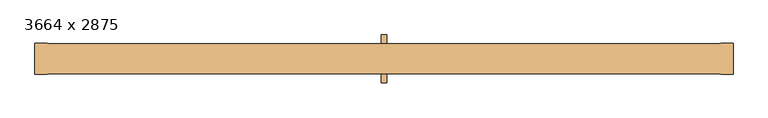
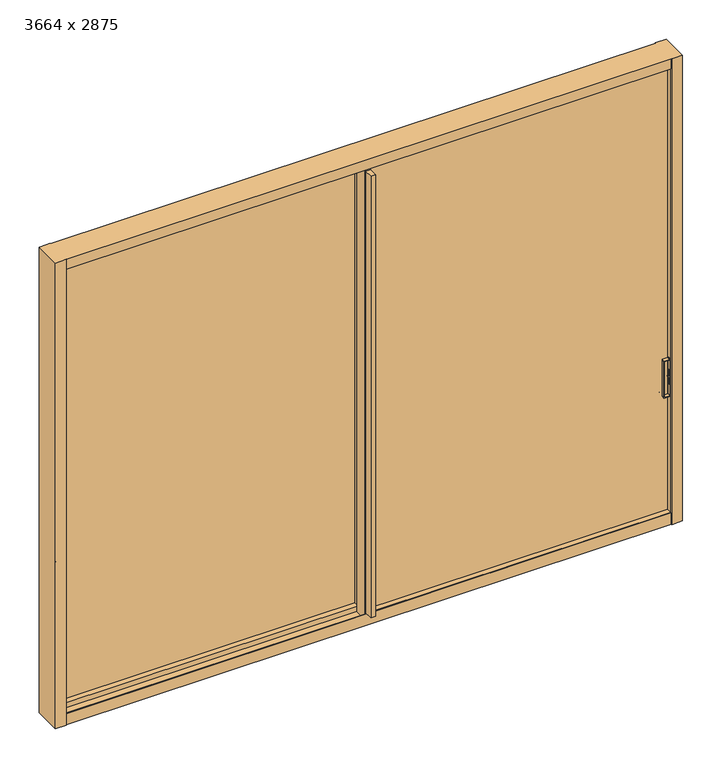
"""IFC4 building model written with IfcOpenShell, lengths in millimetres: door geometry, 3664 x 2875."""

from ifc_helpers import new_model, si_unit, point, frame, frame_2d, origin, place, context, project, spatial, polyline, circle_curve, trimmed, segment, composite_curve, outline, extrude, faceted_brep, source, transform, mapped, element, save
from ifc_brep_helpers import plane_surface, cylinder_surface, revolved_surface, advanced_brep


def door_3664_x_2875_118cb5cf(model_context):
    return source(origin(), model_context, "Body", "SolidModel", [
        extrude(outline(composite_curve([segment(trimmed(circle_curve(frame_2d((942.5, 1759.2)), 2.5), [point((945.0, 1759.2))], [point((942.5, 1756.7))], False, "CARTESIAN"), True, "CONTINUOUS"), segment(polyline([(942.5, 1756.7), (717.5, 1756.7)]), True, "CONTINUOUS"), segment(trimmed(circle_curve(frame_2d((717.5, 1759.2)), 2.5), [point((717.5, 1756.7))], [point((715.0, 1759.2))], False, "CARTESIAN"), True, "CONTINUOUS"), segment(polyline([(715.0, 1759.2), (715.0, 1794.2)]), True, "CONTINUOUS"), segment(trimmed(circle_curve(frame_2d((717.5, 1794.2)), 2.5), [point((715.0, 1794.2))], [point((717.5, 1796.7))], False, "CARTESIAN"), True, "CONTINUOUS"), segment(polyline([(717.5, 1796.7), (942.5424043, 1796.7)]), True, "CONTINUOUS"), segment(trimmed(circle_curve(frame_2d((942.5424043, 1794.2424043)), 2.4575957), [point((942.5424043, 1796.7))], [point((945.0, 1794.2424043))], False, "CARTESIAN"), True, "CONTINUOUS"), segment(polyline([(945.0, 1794.2424043), (945.0, 1759.2)]), True, "CONTINUOUS")], self_intersect=False), holes=[composite_curve([segment(polyline([(940.0, 1762.7), (940.0, 1790.7)]), True, "CONTINUOUS"), segment(trimmed(circle_curve(frame_2d((939.0, 1790.7)), 1.0), [point((940.0, 1790.7))], [point((939.0, 1791.7))], True, "CARTESIAN"), True, "CONTINUOUS"), segment(polyline([(939.0, 1791.7), (721.0, 1791.7)]), True, "CONTINUOUS"), segment(trimmed(circle_curve(frame_2d((721.0, 1790.7)), 1.0), [point((721.0, 1791.7))], [point((720.0, 1790.7))], True, "CARTESIAN"), True, "CONTINUOUS"), segment(polyline([(720.0, 1790.7), (720.0, 1762.7)]), True, "CONTINUOUS"), segment(trimmed(circle_curve(frame_2d((721.0, 1762.7)), 1.0), [point((720.0, 1762.7))], [point((721.0, 1761.7))], True, "CARTESIAN"), True, "CONTINUOUS"), segment(polyline([(721.0, 1761.7), (939.0, 1761.7)]), True, "CONTINUOUS"), segment(trimmed(circle_curve(frame_2d((939.0, 1762.7)), 1.0), [point((939.0, 1761.7))], [point((940.0, 1762.7))], True, "CARTESIAN"), True, "CONTINUOUS")], self_intersect=False)]), frame((0.0, -61.7000063, 0.0), z_axis=(0.0, 1.0, 0.0), x_axis=(0.0, 0.0, 1.0)), (0.0, 0.0, 1.0), 10.0),
        extrude(outline(composite_curve([segment(trimmed(circle_curve(frame_2d((848.8270581, 1789.6944959)), 10.0), [point((839.0082518, 1791.5895005))], [point((839.6206416, 1785.7904087))], True, "CARTESIAN"), True, "CONTINUOUS"), segment(trimmed(circle_curve(frame_2d((838.7, 1785.4)), 1.0), [point((839.6206416, 1785.7904087))], [point((838.7, 1784.4))], False, "CARTESIAN"), True, "CONTINUOUS"), segment(polyline([(838.7, 1784.4), (833.7, 1784.4)]), True, "CONTINUOUS"), segment(trimmed(circle_curve(frame_2d((833.7, 1785.4)), 1.0), [point((833.7, 1784.4))], [point((832.7793584, 1785.7904087))], False, "CARTESIAN"), True, "CONTINUOUS"), segment(trimmed(circle_curve(frame_2d((823.5729419, 1789.6944959)), 10.0), [point((832.7793584, 1785.7904087))], [point((833.5729419, 1789.6944959))], True, "CARTESIAN"), True, "CONTINUOUS"), segment(trimmed(circle_curve(frame_2d((823.5729419, 1789.6944959)), 10.0), [point((833.5729419, 1789.6944959))], [point((833.3917482, 1791.5895005))], True, "CARTESIAN"), True, "CONTINUOUS"), segment(trimmed(circle_curve(frame_2d((832.4098676, 1791.4)), 1.0), [point((833.3917482, 1791.5895005))], [point((832.4098676, 1792.4))], True, "CARTESIAN"), True, "CONTINUOUS"), segment(polyline([(832.4098676, 1792.4), (801.15, 1792.4), (801.15, 1797.4), (871.25, 1797.4), (871.25, 1792.4), (839.9901324, 1792.4)]), True, "CONTINUOUS"), segment(trimmed(circle_curve(frame_2d((839.9901324, 1791.4)), 1.0), [point((839.9901324, 1792.4))], [point((839.0082518, 1791.5895005))], True, "CARTESIAN"), True, "CONTINUOUS")], self_intersect=False)), frame((0.0, -112.15, 0.0), z_axis=(0.0, 1.0, 0.0), x_axis=(0.0, 0.0, 1.0)), (0.0, 0.0, 1.0), 12.55),
        advanced_brep(
        [(1759.2, -115.35, 945.0), (1756.7, -115.35, 942.5), (1756.7, -115.35, 717.5), (1759.2, -115.35, 715.0), (1794.2, -115.35, 715.0), (1796.7, -115.35, 717.5), (1796.7, -115.35, 942.5424043), (1794.2424043, -115.35, 945.0), (1762.7, -115.35, 940.0), (1790.7, -115.35, 940.0), (1791.7, -115.35, 939.0), (1791.7, -115.35, 721.0), (1790.7, -115.35, 720.0), (1762.7, -115.35, 720.0), (1761.7, -115.35, 721.0), (1761.7, -115.35, 939.0), (1759.2, -96.35, 945.0), (1794.2424043, -96.35, 945.0), (1796.7, -96.35, 942.5424043), (1796.7, -96.35, 717.5), (1794.2, -96.35, 715.0), (1759.2, -96.35, 715.0), (1756.7, -96.35, 717.5), (1756.7, -96.35, 942.5), (1762.7, -96.35, 940.0), (1761.7, -96.35, 939.0), (1761.7, -96.35, 721.0), (1762.7, -96.35, 720.0), (1790.7, -96.35, 720.0), (1791.7, -96.35, 721.0), (1791.7, -96.35, 939.0), (1790.7, -96.35, 940.0), (1796.7, -113.1, 787.3220606), (1796.7, -113.1, 871.6220606), (1796.7, -112.1, 872.6220606), (1796.7, -99.6, 872.6220606), (1796.7, -98.6, 871.6220606), (1796.7, -98.6, 787.3220606), (1796.7, -99.6, 786.3220606), (1796.7, -112.1, 786.3220606), (1791.7, -112.1, 786.3220606), (1791.7, -99.6, 786.3220606), (1791.7, -98.6, 787.3220606), (1791.7, -98.6, 871.6220606), (1791.7, -99.6, 872.6220606), (1791.7, -112.1, 872.6220606), (1791.7, -113.1, 871.6220606), (1791.7, -113.1, 787.3220606)],
        [
            (0, 1, circle_curve(frame((1759.2, -115.35, 942.5), z_axis=(0.0, -1.0, 0.0), x_axis=(-1.0, 0.0, 0.0)), 2.5)),
            (1, 2),
            (2, 3, circle_curve(frame((1759.2, -115.35, 717.5), z_axis=(0.0, -1.0, 0.0), x_axis=(-1.0, 0.0, 0.0)), 2.5)),
            (3, 4),
            (4, 5, circle_curve(frame((1794.2, -115.35, 717.5), z_axis=(0.0, -1.0, 0.0), x_axis=(-1.0, 0.0, 0.0)), 2.5)),
            (5, 6),
            (6, 7, circle_curve(frame((1794.2424043, -115.35, 942.5424043), z_axis=(0.0, -1.0, 0.0), x_axis=(-1.0, 0.0, 0.0)), 2.4575957)),
            (7, 0),
            (8, 9),
            (9, 10, circle_curve(frame((1790.7, -115.35, 939.0), z_axis=(0.0, 1.0, 0.0), x_axis=(-1.0, 0.0, 0.0)), 1.0)),
            (10, 11),
            (11, 12, circle_curve(frame((1790.7, -115.35, 721.0), z_axis=(0.0, 1.0, 0.0), x_axis=(-1.0, 0.0, 0.0)), 1.0)),
            (12, 13),
            (13, 14, circle_curve(frame((1762.7, -115.35, 721.0), z_axis=(0.0, 1.0, 0.0), x_axis=(-1.0, 0.0, 0.0)), 1.0)),
            (14, 15),
            (15, 8, circle_curve(frame((1762.7, -115.35, 939.0), z_axis=(0.0, 1.0, 0.0), x_axis=(-1.0, 0.0, 0.0)), 1.0)),
            (16, 17),
            (17, 18, circle_curve(frame((1794.2424043, -96.35, 942.5424043), z_axis=(0.0, 1.0, 0.0), x_axis=(-1.0, 0.0, 0.0)), 2.4575957)),
            (18, 19),
            (19, 20, circle_curve(frame((1794.2, -96.35, 717.5), z_axis=(0.0, 1.0, 0.0), x_axis=(-1.0, 0.0, 0.0)), 2.5)),
            (20, 21),
            (21, 22, circle_curve(frame((1759.2, -96.35, 717.5), z_axis=(0.0, 1.0, 0.0), x_axis=(-1.0, 0.0, 0.0)), 2.5)),
            (22, 23),
            (23, 16, circle_curve(frame((1759.2, -96.35, 942.5), z_axis=(0.0, 1.0, 0.0), x_axis=(-1.0, 0.0, 0.0)), 2.5)),
            (24, 25, circle_curve(frame((1762.7, -96.35, 939.0), z_axis=(0.0, -1.0, 0.0), x_axis=(-1.0, 0.0, 0.0)), 1.0)),
            (25, 26),
            (26, 27, circle_curve(frame((1762.7, -96.35, 721.0), z_axis=(0.0, -1.0, 0.0), x_axis=(-1.0, 0.0, 0.0)), 1.0)),
            (27, 28),
            (28, 29, circle_curve(frame((1790.7, -96.35, 721.0), z_axis=(0.0, -1.0, 0.0), x_axis=(-1.0, 0.0, 0.0)), 1.0)),
            (29, 30),
            (30, 31, circle_curve(frame((1790.7, -96.35, 939.0), z_axis=(0.0, -1.0, 0.0), x_axis=(-1.0, 0.0, 0.0)), 1.0)),
            (31, 24),
            (7, 17),
            (16, 0),
            (6, 18),
            (5, 19),
            (32, 33),
            (33, 34, circle_curve(frame((1796.7, -112.1, 871.6220606), z_axis=(-1.0, 0.0, 0.0), x_axis=(0.0, 0.0, -1.0)), 1.0)),
            (34, 35),
            (35, 36, circle_curve(frame((1796.7, -99.6, 871.6220606), z_axis=(-1.0, 0.0, 0.0), x_axis=(0.0, 0.0, -1.0)), 1.0)),
            (36, 37),
            (37, 38, circle_curve(frame((1796.7, -99.6, 787.3220606), z_axis=(-1.0, 0.0, 0.0), x_axis=(0.0, 0.0, -1.0)), 1.0)),
            (38, 39),
            (39, 32, circle_curve(frame((1796.7, -112.1, 787.3220606), z_axis=(-1.0, 0.0, 0.0), x_axis=(0.0, 0.0, -1.0)), 1.0)),
            (4, 20),
            (3, 21),
            (2, 22),
            (1, 23),
            (15, 25),
            (24, 8),
            (14, 26),
            (13, 27),
            (12, 28),
            (11, 29),
            (10, 30),
            (40, 41),
            (41, 42, circle_curve(frame((1791.7, -99.6, 787.3220606), z_axis=(1.0, 0.0, 0.0), x_axis=(0.0, 0.0, -1.0)), 1.0)),
            (42, 43),
            (43, 44, circle_curve(frame((1791.7, -99.6, 871.6220606), z_axis=(1.0, 0.0, 0.0), x_axis=(0.0, 0.0, -1.0)), 1.0)),
            (44, 45),
            (45, 46, circle_curve(frame((1791.7, -112.1, 871.6220606), z_axis=(1.0, 0.0, 0.0), x_axis=(0.0, 0.0, -1.0)), 1.0)),
            (46, 47),
            (47, 40, circle_curve(frame((1791.7, -112.1, 787.3220606), z_axis=(1.0, 0.0, 0.0), x_axis=(0.0, 0.0, -1.0)), 1.0)),
            (9, 31),
            (47, 32),
            (39, 40),
            (46, 33),
            (45, 34),
            (44, 35),
            (43, 36),
            (42, 37),
            (41, 38),
        ],
        [
            plane_surface(frame((1794.2, -115.35, 945.0), z_axis=(0.0, -1.0, 0.0), x_axis=(1.0, 0.0, 0.0))),
            plane_surface(frame((1794.2, -96.35, 945.0), z_axis=(0.0, 1.0, 0.0), x_axis=(-1.0, 0.0, 0.0))),
            plane_surface(frame((1759.2, -115.35, 945.0), z_axis=(0.0, 0.0, 1.0), x_axis=(0.0, 1.0, 0.0))),
            cylinder_surface(frame((1794.2424043, -96.35, 942.5424043), z_axis=(0.0, -1.0, 0.0), x_axis=(-1.0, 0.0, 0.0)), 2.4575957),
            plane_surface(frame((1796.7, -115.35, 942.5424043), z_axis=(1.0, 0.0, 0.0), x_axis=(0.0, 1.0, 0.0))),
            cylinder_surface(frame((1794.2, -96.35, 717.5), z_axis=(0.0, -1.0, 0.0), x_axis=(-1.0, 0.0, 0.0)), 2.5),
            plane_surface(frame((1794.2, -115.35, 715.0), z_axis=(0.0, 0.0, -1.0), x_axis=(0.0, 1.0, 0.0))),
            cylinder_surface(frame((1759.2, -96.35, 717.5), z_axis=(0.0, -1.0, 0.0), x_axis=(-1.0, 0.0, 0.0)), 2.5),
            plane_surface(frame((1756.7, -115.35, 717.5), z_axis=(-1.0, 0.0, 0.0), x_axis=(0.0, 1.0, 0.0))),
            cylinder_surface(frame((1759.2, -96.35, 942.5), z_axis=(0.0, -1.0, 0.0), x_axis=(-1.0, 0.0, 0.0)), 2.5),
            revolved_surface(polyline([(1761.7, -96.35, 939.0), (1761.7, -115.35, 939.0)]), (1762.7, -105.85, 939.0), (0.0, 1.0, 0.0)),
            plane_surface(frame((1761.7, -115.35, 939.0), z_axis=(1.0, 0.0, 0.0), x_axis=(0.0, 1.0, 0.0))),
            revolved_surface(polyline([(1761.7, -96.35, 721.0), (1761.7, -115.35, 721.0)]), (1762.7, -105.85, 721.0), (0.0, 1.0, 0.0)),
            plane_surface(frame((1762.7, -115.35, 720.0), z_axis=(0.0, 0.0, 1.0), x_axis=(0.0, 1.0, 0.0))),
            revolved_surface(polyline([(1789.7, -96.35, 721.0), (1789.7, -115.35, 721.0)]), (1790.7, -105.85, 721.0), (0.0, 1.0, 0.0)),
            plane_surface(frame((1791.7, -115.35, 721.0), z_axis=(-1.0, 0.0, 0.0), x_axis=(0.0, 1.0, 0.0))),
            revolved_surface(polyline([(1789.7, -96.35, 939.0), (1789.7, -115.35, 939.0)]), (1790.7, -105.85, 939.0), (0.0, 1.0, 0.0)),
            plane_surface(frame((1790.7, -115.35, 940.0), z_axis=(0.0, 0.0, -1.0), x_axis=(0.0, 1.0, 0.0))),
            revolved_surface(polyline([(1796.7, -112.1, 786.3220606), (1791.7, -112.1, 786.3220606)]), (1781.7, -112.1, 787.3220606), (1.0, 0.0, 0.0)),
            plane_surface(frame((1806.7, -113.1, 787.3220606), z_axis=(0.0, 1.0, 0.0), x_axis=(-1.0, 0.0, 0.0))),
            revolved_surface(polyline([(1796.7, -112.1, 870.6220606), (1791.7, -112.1, 870.6220606)]), (1781.7, -112.1, 871.6220606), (1.0, 0.0, 0.0)),
            plane_surface(frame((1806.7, -112.1, 872.6220606), z_axis=(0.0, 0.0, -1.0), x_axis=(-1.0, 0.0, 0.0))),
            revolved_surface(polyline([(1796.7, -99.6, 870.6220606), (1791.7, -99.6, 870.6220606)]), (1781.7, -99.6, 871.6220606), (1.0, 0.0, 0.0)),
            plane_surface(frame((1806.7, -98.6, 871.6220606), z_axis=(0.0, -1.0, 0.0), x_axis=(-1.0, 0.0, 0.0))),
            revolved_surface(polyline([(1796.7, -99.6, 786.3220606), (1791.7, -99.6, 786.3220606)]), (1781.7, -99.6, 787.3220606), (1.0, 0.0, 0.0)),
            plane_surface(frame((1806.7, -99.6, 786.3220606), z_axis=(0.0, 0.0, 1.0), x_axis=(-1.0, 0.0, 0.0))),
        ],
        [
            (0, [[1, 2, 3, 4, 5, 6, 7, 8], [9, 10, 11, 12, 13, 14, 15, 16]]),
            (1, [[17, 18, 19, 20, 21, 22, 23, 24], [25, 26, 27, 28, 29, 30, 31, 32]]),
            (2, [[33, -17, 34, -8]]),
            (3, [[35, -18, -33, -7]]),
            (4, [[36, -19, -35, -6], [37, 38, 39, 40, 41, 42, 43, 44]]),
            (5, [[45, -20, -36, -5]]),
            (6, [[46, -21, -45, -4]]),
            (7, [[47, -22, -46, -3]]),
            (8, [[48, -23, -47, -2]]),
            (9, [[-34, -24, -48, -1]]),
            (10, [[49, -25, 50, -16]]),
            (11, [[51, -26, -49, -15]]),
            (12, [[52, -27, -51, -14]]),
            (13, [[53, -28, -52, -13]]),
            (14, [[54, -29, -53, -12]]),
            (15, [[55, -30, -54, -11], [56, 57, 58, 59, 60, 61, 62, 63]]),
            (16, [[64, -31, -55, -10]]),
            (17, [[-50, -32, -64, -9]]),
            (18, [[-63, 65, -44, 66]]),
            (19, [[-62, 67, -37, -65]]),
            (20, [[-61, 68, -38, -67]]),
            (21, [[-60, 69, -39, -68]]),
            (22, [[-59, 70, -40, -69]]),
            (23, [[-58, 71, -41, -70]]),
            (24, [[-57, 72, -42, -71]]),
            (25, [[-43, -72, -56, -66]]),
        ],
    ),
        extrude(outline(composite_curve([segment(polyline([(945.0, -1706.8000303), (945.0, -1741.8424347)]), True, "CONTINUOUS"), segment(trimmed(circle_curve(frame_2d((942.5424043, -1741.8424347)), 2.4575957), [point((945.0, -1741.8424347))], [point((942.5424043, -1744.3000303))], False, "CARTESIAN"), True, "CONTINUOUS"), segment(polyline([(942.5424043, -1744.3000303), (717.5, -1744.3000303)]), True, "CONTINUOUS"), segment(trimmed(circle_curve(frame_2d((717.5, -1741.8000303)), 2.5), [point((717.5, -1744.3000303))], [point((715.0, -1741.8000303))], False, "CARTESIAN"), True, "CONTINUOUS"), segment(polyline([(715.0, -1741.8000303), (715.0, -1706.8000303)]), True, "CONTINUOUS"), segment(trimmed(circle_curve(frame_2d((717.5, -1706.8000303)), 2.5), [point((715.0, -1706.8000303))], [point((717.5, -1704.3000303))], False, "CARTESIAN"), True, "CONTINUOUS"), segment(polyline([(717.5, -1704.3000303), (942.5, -1704.3000303)]), True, "CONTINUOUS"), segment(trimmed(circle_curve(frame_2d((942.5, -1706.8000303)), 2.5), [point((942.5, -1704.3000303))], [point((945.0, -1706.8000303))], False, "CARTESIAN"), True, "CONTINUOUS")], self_intersect=False), holes=[composite_curve([segment(trimmed(circle_curve(frame_2d((939.0, -1710.3000303)), 1.0), [point((940.0, -1710.3000303))], [point((939.0, -1709.3000303))], True, "CARTESIAN"), True, "CONTINUOUS"), segment(polyline([(939.0, -1709.3000303), (721.0, -1709.3000303)]), True, "CONTINUOUS"), segment(trimmed(circle_curve(frame_2d((721.0, -1710.3000303)), 1.0), [point((721.0, -1709.3000303))], [point((720.0, -1710.3000303))], True, "CARTESIAN"), True, "CONTINUOUS"), segment(polyline([(720.0, -1710.3000303), (720.0, -1738.3000303)]), True, "CONTINUOUS"), segment(trimmed(circle_curve(frame_2d((721.0, -1738.3000303)), 1.0), [point((720.0, -1738.3000303))], [point((721.0, -1739.3000303))], True, "CARTESIAN"), True, "CONTINUOUS"), segment(polyline([(721.0, -1739.3000303), (939.0, -1739.3000303)]), True, "CONTINUOUS"), segment(trimmed(circle_curve(frame_2d((939.0, -1738.3000303)), 1.0), [point((939.0, -1739.3000303))], [point((940.0, -1738.3000303))], True, "CARTESIAN"), True, "CONTINUOUS"), segment(polyline([(940.0, -1738.3000303), (940.0, -1710.3000303)]), True, "CONTINUOUS")], self_intersect=False)]), frame((0.0, 16.075, 0.0), z_axis=(0.0, 1.0, 0.0), x_axis=(0.0, 0.0, 1.0)), (0.0, 0.0, 1.0), 10.0),
        extrude(outline(composite_curve([segment(trimmed(circle_curve(frame_2d((839.9901324, -1739.0000303)), 1.0), [point((839.0082518, -1739.1895308))], [point((839.9901324, -1740.0000303))], True, "CARTESIAN"), True, "CONTINUOUS"), segment(polyline([(839.9901324, -1740.0000303), (871.25, -1740.0000303), (871.25, -1745.0000303), (801.15, -1745.0000303), (801.15, -1740.0000303), (832.4098676, -1740.0000303)]), True, "CONTINUOUS"), segment(trimmed(circle_curve(frame_2d((832.4098676, -1739.0000303)), 1.0), [point((832.4098676, -1740.0000303))], [point((833.3917482, -1739.1895308))], True, "CARTESIAN"), True, "CONTINUOUS"), segment(trimmed(circle_curve(frame_2d((823.5729419, -1737.2945262)), 10.0), [point((833.3917482, -1739.1895308))], [point((833.5729419, -1737.2945262))], True, "CARTESIAN"), True, "CONTINUOUS"), segment(trimmed(circle_curve(frame_2d((823.5729419, -1737.2945262)), 10.0), [point((833.5729419, -1737.2945262))], [point((832.7793584, -1733.390439))], True, "CARTESIAN"), True, "CONTINUOUS"), segment(trimmed(circle_curve(frame_2d((833.7, -1733.0000303)), 1.0), [point((832.7793584, -1733.390439))], [point((833.7, -1732.0000303))], False, "CARTESIAN"), True, "CONTINUOUS"), segment(polyline([(833.7, -1732.0000303), (838.7, -1732.0000303)]), True, "CONTINUOUS"), segment(trimmed(circle_curve(frame_2d((838.7, -1733.0000303)), 1.0), [point((838.7, -1732.0000303))], [point((839.6206416, -1733.390439))], False, "CARTESIAN"), True, "CONTINUOUS"), segment(trimmed(circle_curve(frame_2d((848.8270581, -1737.2945262)), 10.0), [point((839.6206416, -1733.390439))], [point((839.0082518, -1739.1895308))], True, "CARTESIAN"), True, "CONTINUOUS")], self_intersect=False)), frame((0.0, -32.6, 0.0), z_axis=(0.0, 1.0, 0.0), x_axis=(0.0, 0.0, 1.0)), (0.0, 0.0, 1.0), 12.55),
        advanced_brep(
        [(-1706.8000303, -35.8, 945.0), (-1741.8424347, -35.8, 945.0), (-1744.3000303, -35.8, 942.5424043), (-1744.3000303, -35.8, 717.5), (-1741.8000303, -35.8, 715.0), (-1706.8000303, -35.8, 715.0), (-1704.3000303, -35.8, 717.5), (-1704.3000303, -35.8, 942.5), (-1710.3000303, -35.8, 940.0), (-1709.3000303, -35.8, 939.0), (-1709.3000303, -35.8, 721.0), (-1710.3000303, -35.8, 720.0), (-1738.3000303, -35.8, 720.0), (-1739.3000303, -35.8, 721.0), (-1739.3000303, -35.8, 939.0), (-1738.3000303, -35.8, 940.0), (-1706.8000303, -16.8, 945.0), (-1704.3000303, -16.8, 942.5), (-1704.3000303, -16.8, 717.5), (-1706.8000303, -16.8, 715.0), (-1741.8000303, -16.8, 715.0), (-1744.3000303, -16.8, 717.5), (-1744.3000303, -16.8, 942.5424043), (-1741.8424347, -16.8, 945.0), (-1710.3000303, -16.8, 940.0), (-1738.3000303, -16.8, 940.0), (-1739.3000303, -16.8, 939.0), (-1739.3000303, -16.8, 721.0), (-1738.3000303, -16.8, 720.0), (-1710.3000303, -16.8, 720.0), (-1709.3000303, -16.8, 721.0), (-1709.3000303, -16.8, 939.0), (-1744.3000303, -33.55, 787.3220606), (-1744.3000303, -32.55, 786.3220606), (-1744.3000303, -20.05, 786.3220606), (-1744.3000303, -19.05, 787.3220606), (-1744.3000303, -19.05, 871.6220606), (-1744.3000303, -20.05, 872.6220606), (-1744.3000303, -32.55, 872.6220606), (-1744.3000303, -33.55, 871.6220606), (-1739.3000303, -32.55, 786.3220606), (-1739.3000303, -33.55, 787.3220606), (-1739.3000303, -33.55, 871.6220606), (-1739.3000303, -32.55, 872.6220606), (-1739.3000303, -20.05, 872.6220606), (-1739.3000303, -19.05, 871.6220606), (-1739.3000303, -19.05, 787.3220606), (-1739.3000303, -20.05, 786.3220606)],
        [
            (0, 1),
            (1, 2, circle_curve(frame((-1741.8424347, -35.8, 942.5424043), z_axis=(0.0, -1.0, 0.0), x_axis=(1.0, 0.0, 0.0)), 2.4575957)),
            (2, 3),
            (3, 4, circle_curve(frame((-1741.8000303, -35.8, 717.5), z_axis=(0.0, -1.0, 0.0), x_axis=(1.0, 0.0, 0.0)), 2.5)),
            (4, 5),
            (5, 6, circle_curve(frame((-1706.8000303, -35.8, 717.5), z_axis=(0.0, -1.0, 0.0), x_axis=(1.0, 0.0, 0.0)), 2.5)),
            (6, 7),
            (7, 0, circle_curve(frame((-1706.8000303, -35.8, 942.5), z_axis=(0.0, -1.0, 0.0), x_axis=(1.0, 0.0, 0.0)), 2.5)),
            (8, 9, circle_curve(frame((-1710.3000303, -35.8, 939.0), z_axis=(0.0, 1.0, 0.0), x_axis=(1.0, 0.0, 0.0)), 1.0)),
            (9, 10),
            (10, 11, circle_curve(frame((-1710.3000303, -35.8, 721.0), z_axis=(0.0, 1.0, 0.0), x_axis=(1.0, 0.0, 0.0)), 1.0)),
            (11, 12),
            (12, 13, circle_curve(frame((-1738.3000303, -35.8, 721.0), z_axis=(0.0, 1.0, 0.0), x_axis=(1.0, 0.0, 0.0)), 1.0)),
            (13, 14),
            (14, 15, circle_curve(frame((-1738.3000303, -35.8, 939.0), z_axis=(0.0, 1.0, 0.0), x_axis=(1.0, 0.0, 0.0)), 1.0)),
            (15, 8),
            (16, 17, circle_curve(frame((-1706.8000303, -16.8, 942.5), z_axis=(0.0, 1.0, 0.0), x_axis=(1.0, 0.0, 0.0)), 2.5)),
            (17, 18),
            (18, 19, circle_curve(frame((-1706.8000303, -16.8, 717.5), z_axis=(0.0, 1.0, 0.0), x_axis=(1.0, 0.0, 0.0)), 2.5)),
            (19, 20),
            (20, 21, circle_curve(frame((-1741.8000303, -16.8, 717.5), z_axis=(0.0, 1.0, 0.0), x_axis=(1.0, 0.0, 0.0)), 2.5)),
            (21, 22),
            (22, 23, circle_curve(frame((-1741.8424347, -16.8, 942.5424043), z_axis=(0.0, 1.0, 0.0), x_axis=(1.0, 0.0, 0.0)), 2.4575957)),
            (23, 16),
            (24, 25),
            (25, 26, circle_curve(frame((-1738.3000303, -16.8, 939.0), z_axis=(0.0, -1.0, 0.0), x_axis=(1.0, 0.0, 0.0)), 1.0)),
            (26, 27),
            (27, 28, circle_curve(frame((-1738.3000303, -16.8, 721.0), z_axis=(0.0, -1.0, 0.0), x_axis=(1.0, 0.0, 0.0)), 1.0)),
            (28, 29),
            (29, 30, circle_curve(frame((-1710.3000303, -16.8, 721.0), z_axis=(0.0, -1.0, 0.0), x_axis=(1.0, 0.0, 0.0)), 1.0)),
            (30, 31),
            (31, 24, circle_curve(frame((-1710.3000303, -16.8, 939.0), z_axis=(0.0, -1.0, 0.0), x_axis=(1.0, 0.0, 0.0)), 1.0)),
            (0, 16),
            (23, 1),
            (22, 2),
            (21, 3),
            (32, 33, circle_curve(frame((-1744.3000303, -32.55, 787.3220606), z_axis=(1.0, 0.0, 0.0), x_axis=(0.0, 0.0, -1.0)), 1.0)),
            (33, 34),
            (34, 35, circle_curve(frame((-1744.3000303, -20.05, 787.3220606), z_axis=(1.0, 0.0, 0.0), x_axis=(0.0, 0.0, -1.0)), 1.0)),
            (35, 36),
            (36, 37, circle_curve(frame((-1744.3000303, -20.05, 871.6220606), z_axis=(1.0, 0.0, 0.0), x_axis=(0.0, 0.0, -1.0)), 1.0)),
            (37, 38),
            (38, 39, circle_curve(frame((-1744.3000303, -32.55, 871.6220606), z_axis=(1.0, 0.0, 0.0), x_axis=(0.0, 0.0, -1.0)), 1.0)),
            (39, 32),
            (20, 4),
            (19, 5),
            (18, 6),
            (17, 7),
            (8, 24),
            (31, 9),
            (30, 10),
            (29, 11),
            (28, 12),
            (27, 13),
            (26, 14),
            (40, 41, circle_curve(frame((-1739.3000303, -32.55, 787.3220606), z_axis=(-1.0, 0.0, 0.0), x_axis=(0.0, 0.0, -1.0)), 1.0)),
            (41, 42),
            (42, 43, circle_curve(frame((-1739.3000303, -32.55, 871.6220606), z_axis=(-1.0, 0.0, 0.0), x_axis=(0.0, 0.0, -1.0)), 1.0)),
            (43, 44),
            (44, 45, circle_curve(frame((-1739.3000303, -20.05, 871.6220606), z_axis=(-1.0, 0.0, 0.0), x_axis=(0.0, 0.0, -1.0)), 1.0)),
            (45, 46),
            (46, 47, circle_curve(frame((-1739.3000303, -20.05, 787.3220606), z_axis=(-1.0, 0.0, 0.0), x_axis=(0.0, 0.0, -1.0)), 1.0)),
            (47, 40),
            (25, 15),
            (40, 33),
            (32, 41),
            (39, 42),
            (38, 43),
            (37, 44),
            (36, 45),
            (35, 46),
            (34, 47),
        ],
        [
            plane_surface(frame((-1741.8000303, -35.8, 945.0), z_axis=(0.0, -1.0, 0.0), x_axis=(-1.0, 0.0, 0.0))),
            plane_surface(frame((-1741.8000303, -16.8, 945.0), z_axis=(0.0, 1.0, 0.0), x_axis=(1.0, 0.0, 0.0))),
            plane_surface(frame((-1706.8000303, -35.8, 945.0), z_axis=(0.0, 0.0, 1.0), x_axis=(0.0, 1.0, 0.0))),
            cylinder_surface(frame((-1741.8424347, -16.8, 942.5424043), z_axis=(0.0, -1.0, 0.0), x_axis=(1.0, 0.0, 0.0)), 2.4575957),
            plane_surface(frame((-1744.3000303, -35.8, 942.5424043), z_axis=(-1.0, 0.0, 0.0), x_axis=(0.0, 1.0, 0.0))),
            cylinder_surface(frame((-1741.8000303, -16.8, 717.5), z_axis=(0.0, -1.0, 0.0), x_axis=(1.0, 0.0, 0.0)), 2.5),
            plane_surface(frame((-1741.8000303, -35.8, 715.0), z_axis=(0.0, 0.0, -1.0), x_axis=(0.0, 1.0, 0.0))),
            cylinder_surface(frame((-1706.8000303, -16.8, 717.5), z_axis=(0.0, -1.0, 0.0), x_axis=(1.0, 0.0, 0.0)), 2.5),
            plane_surface(frame((-1704.3000303, -35.8, 717.5), z_axis=(1.0, 0.0, 0.0), x_axis=(0.0, 1.0, 0.0))),
            cylinder_surface(frame((-1706.8000303, -16.8, 942.5), z_axis=(0.0, -1.0, 0.0), x_axis=(1.0, 0.0, 0.0)), 2.5),
            revolved_surface(polyline([(-1709.3000303, -16.8, 939.0), (-1709.3000303, -35.8, 939.0)]), (-1710.3000303, -26.3, 939.0), (0.0, 1.0, 0.0)),
            plane_surface(frame((-1709.3000303, -35.8, 939.0), z_axis=(-1.0, 0.0, 0.0), x_axis=(0.0, 1.0, 0.0))),
            revolved_surface(polyline([(-1709.3000303, -16.8, 721.0), (-1709.3000303, -35.8, 721.0)]), (-1710.3000303, -26.3, 721.0), (0.0, 1.0, 0.0)),
            plane_surface(frame((-1710.3000303, -35.8, 720.0), z_axis=(0.0, 0.0, 1.0), x_axis=(0.0, 1.0, 0.0))),
            revolved_surface(polyline([(-1737.3000303, -16.8, 721.0), (-1737.3000303, -35.8, 721.0)]), (-1738.3000303, -26.3, 721.0), (0.0, 1.0, 0.0)),
            plane_surface(frame((-1739.3000303, -35.8, 721.0), z_axis=(1.0, 0.0, 0.0), x_axis=(0.0, 1.0, 0.0))),
            revolved_surface(polyline([(-1737.3000303, -16.8, 939.0), (-1737.3000303, -35.8, 939.0)]), (-1738.3000303, -26.3, 939.0), (0.0, 1.0, 0.0)),
            plane_surface(frame((-1738.3000303, -35.8, 940.0), z_axis=(0.0, 0.0, -1.0), x_axis=(0.0, 1.0, 0.0))),
            revolved_surface(polyline([(-1744.3000303, -32.55, 786.3220606), (-1739.3000303, -32.55, 786.3220606)]), (-1729.3000303, -32.55, 787.3220606), (-1.0, 0.0, 0.0)),
            plane_surface(frame((-1754.3000303, -33.55, 787.3220606), z_axis=(0.0, 1.0, 0.0), x_axis=(1.0, 0.0, 0.0))),
            revolved_surface(polyline([(-1744.3000303, -32.55, 870.6220606), (-1739.3000303, -32.55, 870.6220606)]), (-1729.3000303, -32.55, 871.6220606), (-1.0, 0.0, 0.0)),
            plane_surface(frame((-1754.3000303, -32.55, 872.6220606), z_axis=(0.0, 0.0, -1.0), x_axis=(1.0, 0.0, 0.0))),
            revolved_surface(polyline([(-1744.3000303, -20.05, 870.6220606), (-1739.3000303, -20.05, 870.6220606)]), (-1729.3000303, -20.05, 871.6220606), (-1.0, 0.0, 0.0)),
            plane_surface(frame((-1754.3000303, -19.05, 871.6220606), z_axis=(0.0, -1.0, 0.0), x_axis=(1.0, 0.0, 0.0))),
            revolved_surface(polyline([(-1744.3000303, -20.05, 786.3220606), (-1739.3000303, -20.05, 786.3220606)]), (-1729.3000303, -20.05, 787.3220606), (-1.0, 0.0, 0.0)),
            plane_surface(frame((-1754.3000303, -20.05, 786.3220606), z_axis=(0.0, 0.0, 1.0), x_axis=(1.0, 0.0, 0.0))),
        ],
        [
            (0, [[1, 2, 3, 4, 5, 6, 7, 8], [9, 10, 11, 12, 13, 14, 15, 16]]),
            (1, [[17, 18, 19, 20, 21, 22, 23, 24], [25, 26, 27, 28, 29, 30, 31, 32]]),
            (2, [[-1, 33, -24, 34]]),
            (3, [[-2, -34, -23, 35]]),
            (4, [[-3, -35, -22, 36], [37, 38, 39, 40, 41, 42, 43, 44]]),
            (5, [[-4, -36, -21, 45]]),
            (6, [[-5, -45, -20, 46]]),
            (7, [[-6, -46, -19, 47]]),
            (8, [[-7, -47, -18, 48]]),
            (9, [[-8, -48, -17, -33]]),
            (10, [[-9, 49, -32, 50]]),
            (11, [[-10, -50, -31, 51]]),
            (12, [[-11, -51, -30, 52]]),
            (13, [[-12, -52, -29, 53]]),
            (14, [[-13, -53, -28, 54]]),
            (15, [[-14, -54, -27, 55], [56, 57, 58, 59, 60, 61, 62, 63]]),
            (16, [[-15, -55, -26, 64]]),
            (17, [[-16, -64, -25, -49]]),
            (18, [[65, -37, 66, -56]]),
            (19, [[-66, -44, 67, -57]]),
            (20, [[-67, -43, 68, -58]]),
            (21, [[-68, -42, 69, -59]]),
            (22, [[-69, -41, 70, -60]]),
            (23, [[-70, -40, 71, -61]]),
            (24, [[-71, -39, 72, -62]]),
            (25, [[-65, -63, -72, -38]]),
        ],
    ),
        faceted_brep([(-1742.3, 36.95, 2805.0), (-1805.8, 36.95, 2805.0), (-1805.8, -126.25, 2805.0), (-1742.3, -126.25, 2805.0), (-1742.3, -123.6801444, 2805.0), (1794.7, -123.6801444, 2805.0), (1794.7, -126.25, 2805.0), (1858.2, -126.25, 2805.0), (1858.2, 36.95, 2805.0), (1794.7, 36.95, 2805.0), (1794.7, 34.6166667, 2805.0), (-1742.3, 34.6166667, 2805.0), (-1742.3, -126.25, -70.0), (-1805.8, -126.25, -70.0), (-1805.8, 36.95, -70.0), (-1742.3, 36.95, -70.0), (-1742.3, 34.6166667, -70.0), (1794.7, 34.6166667, -70.0), (1794.7, 36.95, -70.0), (1858.2, 36.95, -70.0), (1858.2, -126.25, -70.0), (1794.7, -126.25, -70.0), (1794.7, -123.6801444, -70.0), (-1742.3, -123.6801444, -70.0), (-1742.3, 34.6166667, 2741.5000002), (-1742.3, 30.3507824, 2741.5000002), (-1742.3, 30.3507824, -41.065624), (-1742.3, 34.6166667, -41.0954059), (-1742.3, -123.6801444, -0.0019976), (-1742.3, -119.65, -0.0019976), (-1742.3, -119.65, -40.0184039), (-1742.3, -83.4499676, -40.2711319), (-1742.3, -83.4499676, -55.2019976), (-1742.3, -70.4499676, -55.2019976), (-1742.3, -70.4499676, -40.3618905), (-1742.3, -41.5499988, -40.5636536), (-1742.3, -41.5499988, 2741.1000002), (-1742.3, -47.7499996, 2741.1000002), (-1742.3, -47.7499996, 2785.5000002), (-1742.3, -66.7229624, 2785.5000002), (-1742.3, -66.7229624, 2790.2019976), (-1742.3, -86.9499884, 2790.2019976), (-1742.3, -86.9499884, 2785.5000002), (-1742.3, -121.8999885, 2785.5000002), (-1742.3, -121.8999885, 2754.5000002), (-1742.3, -119.65, 2754.5000002), (-1742.3, -119.65, 2741.5000002), (-1742.3, -123.6801444, 2741.5000002), (-1753.6999697, -41.5499988, -40.5636536), (-1753.6999697, -41.5499988, 2741.1000002), (-1781.0, -41.5499988, 2741.1000002), (-1781.0, -41.5499988, 2785.5000002), (1794.7, -41.5499988, 2785.5000002), (1794.7, -41.5499988, 2741.1000002), (-1753.6999697, -43.6499988, -40.5489926), (-1753.6999697, -43.6499988, 2741.1000002), (-1781.0, -43.6499988, -40.5489926), (-1781.0, -43.6499988, 2741.1000002), (-1781.0, -5.3499676, -40.8163816), (-1781.0, -5.3499676, -55.2019976), (-1781.0, 7.6500324, -55.2019976), (-1781.0, 7.6500324, -40.9071402), (-1781.0, 32.4507824, -41.080285), (-1781.0, 32.4507824, 2741.5000002), (-1781.0, 30.3507824, 2741.5000002), (-1781.0, 30.3507824, 2785.5000002), (-1781.0, 11.7000112, 2785.5000002), (-1781.0, 11.7000112, 2790.2019976), (-1781.0, -9.1999887, 2790.2019976), (-1781.0, -9.1999887, 2785.5000002), (-1753.6999697, 32.4507824, -41.080285), (-1753.6999697, 32.4507824, 2741.5000002), (-1753.6999697, 30.3507824, -41.065624), (-1753.6999697, 30.3507824, 2741.5000002), (1794.7, 30.3507824, 2741.5000002), (1794.7, 30.3507824, 2785.5000002), (1794.7, 34.6166667, -41.0954059), (1794.7, 7.6500324, -40.9071402), (1794.7, 7.6500324, -55.2019976), (1794.7, -5.3499676, -55.2019976), (1794.7, -5.3499676, -40.8163816), (1794.7, -47.7499996, -40.5203688), (1794.7, -47.7499996, 2741.1000002), (1794.7, -9.1999887, 2785.5000002), (1794.7, -9.1999887, 2790.2019976), (1794.7, 11.7000112, 2790.2019976), (1794.7, 11.7000112, 2785.5000002), (1794.7, 34.6166667, 2741.5000002), (1805.9, -47.7499996, -40.5203688), (1805.9, -47.7499996, 2741.1000002), (1833.5, -47.7499996, 2741.1000002), (1833.5, -47.7499996, 2785.5000002), (1805.9, -45.6499996, -40.5350298), (1805.9, -45.6499996, 2741.1000002), (1833.5, -45.6499996, -40.5350298), (1833.5, -45.6499996, 2741.1000002), (1833.5, -70.4499676, -40.3618905), (1833.5, -70.4499676, -55.2019976), (1833.5, -83.4499676, -55.2019976), (1833.5, -83.4499676, -40.2711319), (1833.5, -119.65, -40.0184039), (1833.5, -119.65, -0.0019976), (1833.5, -123.6801444, -0.0019976), (1833.5, -123.6801444, 2741.5000002), (1833.5, -119.65, 2741.5000002), (1833.5, -119.65, 2754.5000002), (1833.5, -121.8999885, 2754.5000002), (1833.5, -121.8999885, 2785.5000002), (1833.5, -86.9499884, 2785.5000002), (1833.5, -86.9499884, 2790.2019976), (1833.5, -66.7229624, 2790.2019976), (1833.5, -66.7229624, 2785.5000002), (1806.1, -123.6801444, -0.0019976), (1806.1, -123.6801444, 2741.5000002), (1806.1, -119.65, -0.0019976), (1806.1, -119.65, 2741.5000002), (1806.1, -119.65, 2754.5000002), (1806.1, -119.65, 2785.5000002), (1806.1, -121.8999885, 2785.5000002), (1806.1, -121.8999885, 2754.5000002), (1794.7, -119.65, -0.0019976), (1794.7, -119.65, 2741.5000002), (1794.7, -119.65, 2754.5000002), (1794.7, -119.65, 2785.5000002), (1794.7, -121.8999885, 2754.5000002), (1794.7, -121.8999885, 2785.5000002), (1794.7, -123.6801444, 2741.5000002), (1794.7, -123.6801444, -0.0019976)], [[[0, 1, 2, 3, 4, 5, 6, 7, 8, 9, 10, 11]], [[12, 13, 14, 15, 16, 17, 18, 19, 20, 21, 22, 23]], [[1, 0, 15, 14]], [[2, 1, 14, 13]], [[3, 2, 13, 12]], [[15, 0, 11, 24, 25, 26, 27, 16]], [[3, 12, 23, 28, 29, 30, 31, 32, 33, 34, 35, 36, 37, 38, 39, 40, 41, 42, 43, 44, 45, 46, 47, 4]], [[36, 35, 48, 49, 50, 51, 52, 53]], [[49, 48, 54, 55]], [[55, 54, 56, 57]], [[57, 56, 58, 59, 60, 61, 62, 63, 64, 65, 66, 67, 68, 69, 51, 50]], [[63, 62, 70, 71]], [[71, 70, 72, 73]], [[26, 25, 74, 75, 65, 64, 73, 72]], [[9, 8, 19, 18]], [[9, 18, 17, 76, 77, 78, 79, 80, 81, 82, 53, 52, 83, 84, 85, 86, 75, 74, 87, 10]], [[82, 81, 88, 89, 90, 91, 38, 37]], [[89, 88, 92, 93]], [[93, 92, 94, 95]], [[95, 94, 96, 97, 98, 99, 100, 101, 102, 103, 104, 105, 106, 107, 108, 109, 110, 111, 91, 90]], [[103, 102, 112, 113]], [[113, 112, 114, 115]], [[116, 117, 118, 119]], [[115, 114, 101, 100, 30, 29, 120, 121, 46, 45, 122, 123, 117, 116, 105, 104]], [[123, 122, 124, 125]], [[21, 6, 5, 126, 121, 120, 127, 22]], [[7, 6, 21, 20]], [[20, 19, 8, 7]], [[76, 27, 26, 72, 70, 62, 61, 77]], [[77, 61, 60, 78]], [[78, 60, 59, 79]], [[79, 59, 58, 80]], [[80, 58, 56, 54, 48, 35, 34, 96, 94, 92, 88, 81]], [[96, 34, 33, 97]], [[97, 33, 32, 98]], [[98, 32, 31, 99]], [[99, 31, 30, 100]], [[101, 114, 112, 102]], [[120, 29, 28, 127]], [[23, 22, 127, 28]], [[5, 4, 47, 126]], [[115, 104, 103, 113]], [[126, 47, 46, 121]], [[122, 45, 44, 124]], [[105, 116, 119, 106]], [[124, 44, 43, 125]], [[106, 119, 118, 107]], [[111, 39, 38, 91]], [[50, 49, 55, 57]], [[90, 89, 93, 95]], [[82, 37, 36, 53]], [[52, 51, 69, 83]], [[74, 25, 24, 87]], [[73, 64, 63, 71]], [[11, 10, 87, 24]], [[17, 16, 27, 76]], [[107, 118, 117, 123, 125, 43, 42, 108]], [[108, 42, 41, 109]], [[109, 41, 40, 110]], [[39, 111, 110, 40]], [[83, 69, 68, 84]], [[84, 68, 67, 85]], [[85, 67, 66, 86]], [[65, 75, 86, 66]]]),
        faceted_brep([(-1776.3000303, 26.8500004, 2775.1), (-1776.3000303, -38.0499996, 2775.1), (-1744.3000303, -38.0499996, 2775.1), (-1744.3000303, -5.0500049, 2775.1), (-1758.2999823, -5.0500049, 2775.1), (-1758.2999823, 2.9499951, 2775.1), (-1744.3000303, 2.9499951, 2775.1), (-1744.3000303, 26.8500004, 2775.1), (-1776.3000303, 26.8500004, -33.9003627), (-1744.3000303, 26.8500004, -33.9003627), (-1744.3000303, 2.9499951, -33.9003627), (-1758.2999823, 2.9499951, -33.9003627), (-1758.2999823, -5.0500049, -33.9003627), (-1744.3000303, -5.0500049, -33.9003627), (-1744.3000303, -38.0499996, -33.9003627), (-1776.3000303, -38.0499996, -33.9003627), (-1776.3000303, 26.8500004, 2738.021786), (-1776.3000303, 26.8500004, -3.021786), (-1744.3000303, 26.8500004, -3.021786), (-1744.3000303, 26.8500004, 2738.021786)], [[[0, 1, 2, 3, 4, 5, 6, 7]], [[8, 9, 10, 11, 12, 13, 14, 15]], [[1, 0, 16, 17, 8, 15]], [[2, 1, 15, 14]], [[3, 2, 14, 13]], [[4, 3, 13, 12]], [[5, 4, 12, 11]], [[6, 5, 11, 10]], [[7, 6, 10, 9, 18, 19]], [[0, 7, 19, 18, 9, 8, 17, 16]]]),
        faceted_brep([(47.3999848, -47.7916615, 2775.1), (47.3999848, 26.8500004, 2775.1), (12.4999848, 26.8499984, 2775.1), (12.4999848, 2.9499951, 2775.1), (26.4999368, 2.9499951, 2775.1), (26.4999368, -5.0500049, 2775.1), (12.4999848, -5.0500049, 2775.1), (12.4999848, -38.0916615, 2775.1), (38.0999848, -38.0916615, 2775.1), (38.0999848, -43.9916615, 2775.1), (33.9000204, -43.9916615, 2775.1), (33.9000204, -41.5916656, 2775.1), (5.0000204, -41.5916656, 2775.1), (5.0000204, -116.1499984, 2775.1), (39.9000204, -116.1499984, 2775.1), (39.9000204, -83.1500037, 2775.1), (25.9000685, -83.1500037, 2775.1), (25.9000685, -75.1500037, 2775.1), (39.9000204, -75.1500037, 2775.1), (39.9000204, -51.2500037, 2775.1), (14.8468732, -51.2500037, 2775.1), (14.8468732, -45.3916656, 2775.1), (18.4999848, -45.3916656, 2775.1), (18.4999848, -47.7916615, 2775.1), (47.3999848, -47.7916615, -33.9003627), (18.4999848, -47.7916615, -33.9003627), (18.4999848, -45.3916656, -33.9003627), (14.8468732, -45.3916656, -33.9003627), (14.8468732, -51.2500037, -33.9003627), (39.9000204, -51.2500037, -33.9003627), (39.9000204, -75.1500037, -33.9003627), (25.9000685, -75.1500037, -33.9003627), (25.9000685, -83.1500037, -33.9003627), (39.9000204, -83.1500037, -33.9003627), (39.9000204, -116.1499984, -33.9003627), (5.0000204, -116.1499984, -33.9003627), (5.0000204, -41.5916656, -33.9003627), (33.9000204, -41.5916656, -33.9003627), (33.9000204, -43.9916615, -33.9003627), (38.0999848, -43.9916615, -33.9003627), (38.0999848, -38.0916615, -33.9003627), (12.4999848, -38.0916615, -33.9003627), (12.4999848, -5.0500049, -33.9003627), (26.4999368, -5.0500049, -33.9003627), (26.4999368, 2.9499951, -33.9003627), (12.4999848, 2.9499951, -33.9003627), (12.4999848, 26.8499984, -33.9003627), (47.3999848, 26.8500004, -33.9003627), (12.4999848, 26.8500004, -3.021786), (39.8999848, 26.8500004, -3.021786), (39.8999848, 26.8500004, 2738.021786), (12.4999848, 26.8500004, 2738.021786), (12.4999848, 27.8219601, 2738.021786), (12.4999848, 28.567488, 2729.5003627), (12.4999848, 80.9500004, 2729.5003627), (12.4999848, 80.9500004, 5.4996373), (12.4999848, 28.567488, 5.4996373), (12.4999848, 27.8219601, -3.021786), (39.9000204, -116.1499984, -3.021786), (12.4998089, -116.1499984, -3.021786), (12.4998089, -116.1499984, 2738.021786), (39.9000204, -116.1499984, 2738.021786), (12.4998089, -117.1219601, -3.021786), (12.4998089, -117.867488, 5.4996373), (12.4998089, -170.2500037, 5.4996373), (12.4998089, -170.2500037, 2729.5003627), (12.4998089, -117.867488, 2729.5003627), (12.4998089, -117.1219601, 2738.021786), (39.9000204, -170.2500037, 5.4996373), (39.9000204, -170.2500037, 2729.5003627), (39.9000204, -117.1219601, 2738.021786), (39.9000204, -117.867488, 2729.5003627), (39.9000204, -117.867488, 5.4996373), (39.9000204, -117.1219601, -3.021786), (39.8999848, 27.8219601, -3.021786), (39.8999848, 28.567488, 5.4996373), (39.8999848, 80.9500004, 5.4996373), (39.8999848, 80.9500004, 2729.5003627), (39.8999848, 28.567488, 2729.5003627), (39.8999848, 27.8219601, 2738.021786)], [[[0, 1, 2, 3, 4, 5, 6, 7, 8, 9, 10, 11, 12, 13, 14, 15, 16, 17, 18, 19, 20, 21, 22, 23]], [[24, 25, 26, 27, 28, 29, 30, 31, 32, 33, 34, 35, 36, 37, 38, 39, 40, 41, 42, 43, 44, 45, 46, 47]], [[47, 1, 0, 24]], [[46, 48, 49, 50, 51, 2, 1, 47]], [[45, 3, 2, 51, 52, 53, 54, 55, 56, 57, 48, 46]], [[4, 3, 45, 44]], [[5, 4, 44, 43]], [[6, 5, 43, 42]], [[7, 6, 42, 41]], [[8, 7, 41, 40]], [[9, 8, 40, 39]], [[10, 9, 39, 38]], [[11, 10, 38, 37]], [[12, 11, 37, 36]], [[35, 13, 12, 36]], [[34, 58, 59, 60, 61, 14, 13, 35]], [[60, 59, 62, 63, 64, 65, 66, 67]], [[65, 64, 68, 69]], [[33, 15, 14, 61, 70, 71, 69, 68, 72, 73, 58, 34]], [[16, 15, 33, 32]], [[17, 16, 32, 31]], [[18, 17, 31, 30]], [[19, 18, 30, 29]], [[20, 19, 29, 28]], [[21, 20, 28, 27]], [[22, 21, 27, 26]], [[23, 22, 26, 25]], [[0, 23, 25, 24]], [[50, 49, 74, 75, 76, 77, 78, 79]], [[55, 54, 77, 76]], [[62, 73, 72, 63]], [[63, 72, 68, 64]], [[73, 62, 59, 58]], [[57, 74, 49, 48]], [[75, 56, 55, 76]], [[74, 57, 56, 75]], [[67, 70, 61, 60]], [[71, 66, 65, 69]], [[70, 67, 66, 71]], [[52, 79, 78, 53]], [[53, 78, 77, 54]], [[79, 52, 51, 50]]]),
        faceted_brep([(1796.7, -116.1499984, 2775.1), (1828.7, -116.1499984, 2775.1), (1828.7, -51.2500037, 2775.1), (1796.7, -51.2500037, 2775.1), (1796.7, -75.1500053, 2775.1), (1810.6999519, -75.1500053, 2775.1), (1810.6999519, -83.1500053, 2775.1), (1796.7, -83.1500053, 2775.1), (1796.7, -116.1499984, -33.9003627), (1796.7, -83.1500053, -33.9003627), (1810.6999519, -83.1500053, -33.9003627), (1810.6999519, -75.1500053, -33.9003627), (1796.7, -75.1500053, -33.9003627), (1796.7, -51.2500037, -33.9003627), (1828.7, -51.2500037, -33.9003627), (1828.7, -116.1499984, -33.9003627), (1796.7, -116.1499984, -3.021786), (1796.7, -116.1499984, 2738.021786), (1828.7, -116.1499984, -3.021786), (1828.7, -116.1499984, 2738.021786)], [[[0, 1, 2, 3, 4, 5, 6, 7]], [[8, 9, 10, 11, 12, 13, 14, 15]], [[4, 3, 13, 12]], [[5, 4, 12, 11]], [[6, 5, 11, 10]], [[7, 6, 10, 9]], [[0, 7, 9, 8, 16, 17]], [[1, 0, 17, 16, 8, 15, 18, 19]], [[2, 1, 19, 18, 15, 14]], [[3, 2, 14, 13]]]),
        extrude(outline(polyline([(12.4999848, 2.9500133), (12.4999848, -5.0500049), (-1781.0, -5.0500049), (-1781.0, 2.9500133), (12.4999848, 2.9500133)])), frame((0.0, 0.0, -16.0005743), z_axis=(0.0, 0.0, 1.0), x_axis=(1.0, 0.0, 0.0)), (0.0, 0.0, 1.0), 2773.2011787),
        extrude(outline(polyline([(1833.5, -75.1500037), (1833.5, -83.1500037), (26.2, -83.1500037), (26.2, -75.1500037), (1833.5, -75.1500037)])), frame((0.0, 0.0, -16.0005743), z_axis=(0.0, 0.0, 1.0), x_axis=(1.0, 0.0, 0.0)), (0.0, 0.0, 1.0), 2773.2011787),
        extrude(outline(polyline([(26.8500119, -33.9003627), (7.6500324, -33.9003627), (7.6500324, -55.2019976), (-5.3499676, -55.2019976), (-5.3499676, -33.9003627), (-38.0499893, -33.9003627), (-38.0499893, -2.0003627), (-5.0499867, -2.0003627), (-5.0499867, -16.0009671), (2.9500133, -16.0009671), (2.9500133, -2.0003627), (26.8500119, -2.0003627), (26.8500119, -33.9003627)])), frame((-1781.0, 0.0, 0.0), z_axis=(1.0, 0.0, 0.0), x_axis=(0.0, 1.0, 0.0)), (0.0, 0.0, 1.0), 1807.2),
        extrude(outline(polyline([(26.8500119, 2775.1), (26.8500119, 2743.2), (2.9500133, 2743.2), (2.9500133, 2757.2006044), (-5.0499867, 2757.2006044), (-5.0499867, 2743.2), (-37.0499885, 2743.2), (-37.0499885, 2775.1), (-9.1999887, 2775.1), (-9.1999887, 2790.2019976), (11.7000112, 2790.2019976), (11.7000112, 2775.1), (26.8500119, 2775.1)])), frame((-1781.0, 0.0, 0.0), z_axis=(1.0, 0.0, 0.0), x_axis=(0.0, 1.0, 0.0)), (0.0, 0.0, 1.0), 1807.2),
        extrude(outline(polyline([(-51.2499884, 2743.2), (-75.1499868, 2743.2), (-75.1499868, 2757.2002116), (-83.1499868, 2757.2002116), (-83.1499868, 2743.2), (-116.1499884, 2743.2), (-116.1499884, 2775.2), (-86.9499884, 2775.2), (-86.9499884, 2790.2019976), (-66.7229624, 2790.2019976), (-66.7229624, 2775.2), (-51.2499884, 2775.2), (-51.2499884, 2743.2)])), frame((26.2, 0.0, 0.0), z_axis=(1.0, 0.0, 0.0), x_axis=(0.0, 1.0, 0.0)), (0.0, 0.0, 1.0), 1807.3),
        extrude(outline(polyline([(-51.2499884, -2.0003627), (-51.2499884, -34.0003627), (-70.4499676, -34.0003627), (-70.4499676, -55.2019976), (-83.4499676, -55.2019976), (-83.4499676, -34.0003627), (-116.1499884, -34.0003627), (-116.1499884, -2.0003627), (-83.1499868, -2.0003627), (-83.1499868, -16.0005743), (-75.1499868, -16.0005743), (-75.1499868, -2.0003627), (-51.2499884, -2.0003627)])), frame((26.2, 0.0, 0.0), z_axis=(1.0, 0.0, 0.0), x_axis=(0.0, 1.0, 0.0)), (0.0, 0.0, 1.0), 1807.3),
    ])


if __name__ == "__main__":
    model = new_model("IFC4")
    model_context = context("Model", 3, world=origin())
    ifc_project = project(units=[si_unit("LENGTHUNIT", "METRE", prefix="MILLI")], contexts=[model_context])
    site = spatial("IfcSite", under=ifc_project)
    building = spatial("IfcBuilding", under=site)
    placement = place(None, origin())
    door_3664_x_2875_shape = door_3664_x_2875_118cb5cf(model_context)
    element("IfcDoor", 1, ObjectType="3664 x 2875", at=placement, inside=building, context=model_context, shape_type="MappedRepresentation", body=[
        mapped(door_3664_x_2875_shape, transform((0.0, 0.0, 0.0), x_axis=(1.0, 0.0, 0.0), y_axis=(0.0, 1.0, 0.0), z_axis=(0.0, 0.0, 1.0))),
    ])
    save(model, "model.ifc")
